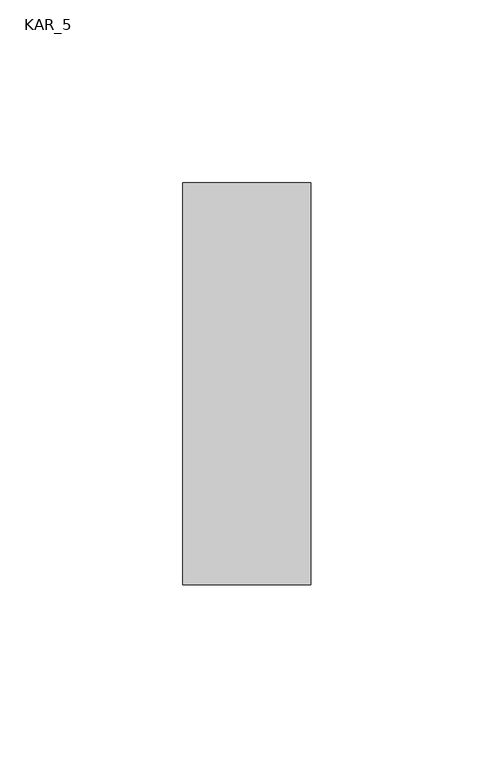
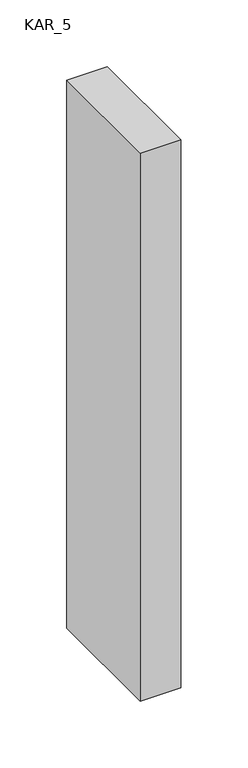
"""IFC4 building model written with IfcOpenShell, lengths in millimetres: proxy geometry, KAR_5."""

from ifc_helpers import new_model, si_unit, frame, origin, place, context, project, spatial, polyline, outline, extrude, source, transform, mapped, element, save


def kar_5_00cc49ea(model_context):
    return source(origin(), model_context, "Body", "SweptSolid", [
        extrude(outline(polyline([(35.0, 110.0), (35.0, 0.0), (0.0, 0.0), (0.0, 110.0), (35.0, 110.0)])), frame((0.0, 0.0, 1400.0), z_axis=(0.0, 0.0, 1.0), x_axis=(1.0, 0.0, 0.0)), (0.0, 0.0, 1.0), 500.0),
    ])


if __name__ == "__main__":
    model = new_model("IFC4")
    model_context = context("Model", 3, world=origin())
    ifc_project = project(units=[si_unit("LENGTHUNIT", "METRE", prefix="MILLI")], contexts=[model_context])
    site = spatial("IfcSite", under=ifc_project)
    building = spatial("IfcBuilding", under=site)
    placement = place(None, origin())
    kar_5_shape = kar_5_00cc49ea(model_context)
    element("IfcBuildingElementProxy", 1, Name="KAR_5", ObjectType="KAR_5", at=placement, inside=building, context=model_context, shape_type="MappedRepresentation", body=[
        mapped(kar_5_shape, transform((0.0, 0.0, 0.0), x_axis=(1.0, 0.0, 0.0), y_axis=(0.0, 1.0, 0.0), z_axis=(0.0, 0.0, 1.0))),
    ])
    save(model, "model.ifc")
